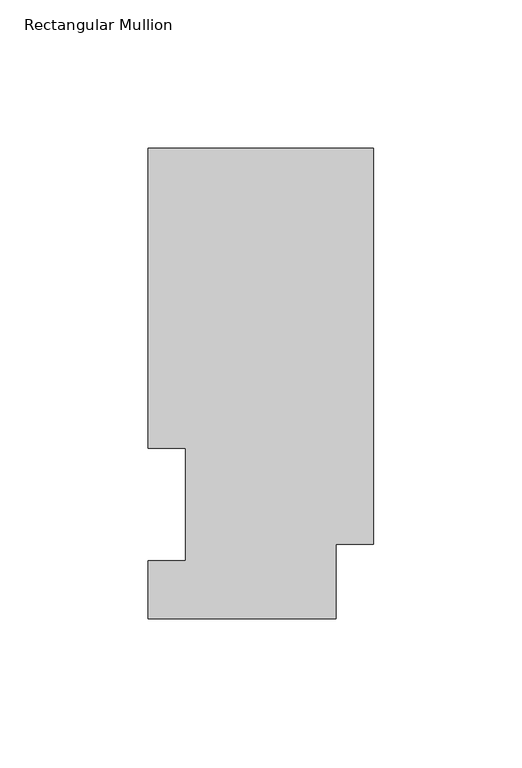
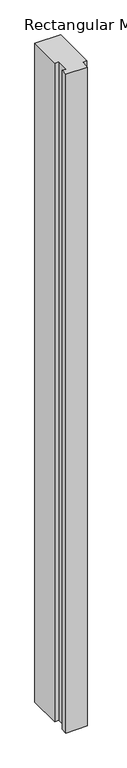
"""IFC4 building model written with IfcOpenShell, lengths in millimetres: member geometry, Rectangular Mullion."""

import ifcopenshell
import ifcopenshell.guid

model = None  # the IFC model being written
_history = None  # IfcOwnerHistory: only IFC2X3 demands one
_inside = {}  # id of a spatial element -> (the spatial element, [elements in it])
_under = {}  # id of a project, library or spatial element -> (it, [spatial elements below it])
_declared = {}  # id of a project -> (the project, [libraries it declares])
_typed = {}  # id of a type object -> (the type object, [elements of that type])
_made_of = {}  # id of a material, layer set ... -> (it, [elements and type objects made of it])


def new_model(schema):
    """Start an empty IFC model of exactly this schema.

    Asked for "IFC4X3", IfcOpenShell would pick the latest addendum, in which some entities
    have other attributes; the version numbers below select the first issue.
    IFC2X3 requires an IfcOwnerHistory on every rooted entity: one is made here for all.
    """
    global model, _history
    if schema == "IFC4X3":
        model = ifcopenshell.file(schema_version=(4, 3, 0, 0))
    else:
        model = ifcopenshell.file(schema=schema)
    _inside.clear()
    _under.clear()
    _declared.clear()
    _typed.clear()
    _made_of.clear()
    _history = None
    if model.schema == "IFC2X3":
        org = make("IfcOrganization", Name="unknown")
        user = make(
            "IfcPersonAndOrganization",
            ThePerson=make("IfcPerson", FamilyName="unknown"),
            TheOrganization=org,
        )
        app = make(
            "IfcApplication",
            ApplicationDeveloper=org,
            Version="unknown",
            ApplicationFullName="unknown",
            ApplicationIdentifier="unknown",
        )
        _history = make(
            "IfcOwnerHistory",
            OwningUser=user,
            OwningApplication=app,
            ChangeAction="ADDED",
            CreationDate=0,
        )
    return model


def make(cls, **values):
    """One entity of the class cls with the attributes given. An attribute that is None is left unset."""
    return model.create_entity(
        cls, **{name: value for name, value in values.items() if value is not None}
    )


def rooted(cls, **values):
    """An entity with a GlobalId (a new one), such as an element, a storey or a relation."""
    return make(cls, GlobalId=ifcopenshell.guid.new(), OwnerHistory=_history, **values)


def si_unit(unit_type, name, prefix=None):
    """IfcSIUnit, for example si_unit("LENGTHUNIT", "METRE", prefix="MILLI")."""
    return make("IfcSIUnit", UnitType=unit_type, Prefix=prefix, Name=name)


def assignment(units):
    """IfcUnitAssignment: the units of a project."""
    return None if units is None else make("IfcUnitAssignment", Units=units)


def point(xyz):
    """IfcCartesianPoint."""
    return None if xyz is None else make("IfcCartesianPoint", Coordinates=xyz)


def direction(xyz):
    """IfcDirection."""
    return None if xyz is None else make("IfcDirection", DirectionRatios=xyz)


def frame(location, z_axis=None, x_axis=None):
    """IfcAxis2Placement3D, a coordinate frame: its origin and axes. An axis left out is left unset."""
    return make(
        "IfcAxis2Placement3D",
        Location=point(location),
        Axis=direction(z_axis),
        RefDirection=direction(x_axis),
    )


def origin():
    """The frame at (0, 0, 0) with its axes left unset."""
    return frame((0.0, 0.0, 0.0))


def place(relative_to, where):
    """IfcLocalPlacement: puts the frame where relative to a parent placement (None: the world)."""
    return make(
        "IfcLocalPlacement", PlacementRelTo=relative_to, RelativePlacement=where
    )


def context(
    kind, dimensions, precision=None, world=None, true_north=None, identifier=None
):
    """IfcGeometricRepresentationContext, for example the 3D "Model" context."""
    return make(
        "IfcGeometricRepresentationContext",
        ContextIdentifier=identifier,
        ContextType=kind,
        CoordinateSpaceDimension=dimensions,
        Precision=precision,
        WorldCoordinateSystem=world,
        TrueNorth=true_north,
    )


def project(units=None, contexts=None):
    """IfcProject with its units and contexts."""
    return rooted(
        "IfcProject",
        Name="project",
        RepresentationContexts=contexts,
        UnitsInContext=assignment(units),
    )


def spatial(cls, under=None, at=None, **own):
    """A site, building, storey or space (cls), placed at a placement, below another one or the project."""
    s = rooted(cls, ObjectPlacement=at, **own)
    if under is not None:
        _under.setdefault(under.id(), (under, []))[1].append(s)
    return s


def polyline(points):
    """IfcPolyline through the points."""
    return make("IfcPolyline", Points=[point(p) for p in points])


def outline(outer, holes=None, kind="AREA"):
    """IfcArbitraryClosedProfileDef: a profile drawn as a closed curve; with holes, ...WithVoids."""
    if holes is None:
        return make("IfcArbitraryClosedProfileDef", ProfileType=kind, OuterCurve=outer)
    return make(
        "IfcArbitraryProfileDefWithVoids",
        ProfileType=kind,
        OuterCurve=outer,
        InnerCurves=holes,
    )


def extrude(swept, where, along, depth):
    """IfcExtrudedAreaSolid: the profile swept, set in the frame where, extruded along a direction by depth."""
    return make(
        "IfcExtrudedAreaSolid",
        SweptArea=swept,
        Position=where,
        ExtrudedDirection=direction(along),
        Depth=depth,
    )


def shape(context_of_items, identifier, shape_type, items):
    """IfcShapeRepresentation: the items that make up one representation, for example the "Body"."""
    return make(
        "IfcShapeRepresentation",
        ContextOfItems=context_of_items,
        RepresentationIdentifier=identifier,
        RepresentationType=shape_type,
        Items=items,
    )


def source(mapping_origin, context_of_items, identifier, shape_type, items):
    """IfcRepresentationMap: a shape defined once, which mapped items show again and again."""
    return make(
        "IfcRepresentationMap",
        MappingOrigin=mapping_origin,
        MappedRepresentation=shape(context_of_items, identifier, shape_type, items),
    )


def transform(
    local_origin,
    x_axis=None,
    y_axis=None,
    z_axis=None,
    scale=None,
    scale2=None,
    scale3=None,
    uniform=True,
):
    """IfcCartesianTransformationOperator3D, or its non-uniform kind. x_axis, y_axis, z_axis: its Axis1, 2, 3."""
    if uniform:
        return make(
            "IfcCartesianTransformationOperator3D",
            Axis1=direction(x_axis),
            Axis2=direction(y_axis),
            LocalOrigin=point(local_origin),
            Scale=scale,
            Axis3=direction(z_axis),
        )
    return make(
        "IfcCartesianTransformationOperator3DnonUniform",
        Axis1=direction(x_axis),
        Axis2=direction(y_axis),
        LocalOrigin=point(local_origin),
        Scale=scale,
        Axis3=direction(z_axis),
        Scale2=scale2,
        Scale3=scale3,
    )


def mapped(mapping_source, mapping_target):
    """IfcMappedItem: shows the shape of a source again, moved by a transform."""
    return make(
        "IfcMappedItem", MappingSource=mapping_source, MappingTarget=mapping_target
    )


def made_of(thing, what):
    """Note that an element or type object is made of a material, layer set ...; save() writes the relation."""
    if what is not None:
        _made_of.setdefault(what.id(), (what, []))[1].append(thing)
    return thing


def element(
    cls,
    number,
    at=None,
    inside=None,
    cuts=None,
    type_object=None,
    material=None,
    context=None,
    identifier="Body",
    shape_type=None,
    held_by="IfcProductDefinitionShape",
    body=None,
    shapes=None,
    **own,
):
    """One element of the class cls, such as IfcWall. Its Tag is "e" and its number.

    at: its placement. inside: the storey or other place that contains it. cuts: it is an
    opening in that element (IfcRelVoidsElement). A single representation is given by context,
    identifier, shape_type and body (its items); several are given by shapes. held_by: the class
    of the entity that holds the representations. save() writes the other relations.
    """
    e = rooted(cls, Tag="e%d" % number, ObjectPlacement=at, **own)
    if body is not None:
        shapes = [shape(context, identifier, shape_type, body)]
    if shapes is not None:
        e.Representation = make(held_by, Representations=shapes)
    if inside is not None:
        _inside.setdefault(inside.id(), (inside, []))[1].append(e)
    if cuts is not None:
        rooted(
            "IfcRelVoidsElement", RelatingBuildingElement=cuts, RelatedOpeningElement=e
        )
    if type_object is not None:
        _typed.setdefault(type_object.id(), (type_object, []))[1].append(e)
    return made_of(e, material)


def aggregate(whole, parts):
    """IfcRelAggregates: a whole, such as a stair, and the parts it consists of."""
    return rooted("IfcRelAggregates", RelatingObject=whole, RelatedObjects=parts)


def save(model, path):
    """Write the relations noted so far, then the file.

    IfcRelAggregates (storeys below a building ...), IfcRelContainedInSpatialStructure (elements
    in a storey), IfcRelDefinesByType, IfcRelAssociatesMaterial and IfcRelDeclares: one each for
    every whole, place, type object, material and project.
    """
    for whole, parts in _under.values():
        aggregate(whole, parts)
    for where, things in _inside.values():
        rooted(
            "IfcRelContainedInSpatialStructure",
            RelatedElements=things,
            RelatingStructure=where,
        )
    for kind, things in _typed.values():
        rooted("IfcRelDefinesByType", RelatedObjects=things, RelatingType=kind)
    for what, things in _made_of.values():
        rooted("IfcRelAssociatesMaterial", RelatedObjects=things, RelatingMaterial=what)
    for by, libraries in _declared.values():
        rooted("IfcRelDeclares", RelatingContext=by, RelatedDefinitions=libraries)
    model.write(path)


def rectangular_mullion_e7777299(model_context):
    return source(origin(), model_context, "Body", "SweptSolid", [
        extrude(outline(polyline([(0.0, 158.8396938), (0.0, 25.0832937), (-12.7, 25.0832937), (-12.7, 0.0134938), (-76.2, 0.0134938), (-76.2, 19.5460938), (-63.5, 19.5460938), (-63.5, 57.6460937), (-76.2, 57.6460937), (-76.2, 158.8396938), (0.0, 158.8396938)])), frame((0.0, 0.0, -2057.4), z_axis=(0.0, 0.0, 1.0), x_axis=(1.0, 0.0, 0.0)), (0.0, 0.0, 1.0), 2057.4),
    ])


if __name__ == "__main__":
    model = new_model("IFC4")
    model_context = context("Model", 3, world=origin())
    ifc_project = project(units=[si_unit("LENGTHUNIT", "METRE", prefix="MILLI")], contexts=[model_context])
    site = spatial("IfcSite", under=ifc_project)
    building = spatial("IfcBuilding", under=site)
    placement = place(None, origin())
    rectangular_mullion_shape = rectangular_mullion_e7777299(model_context)
    element("IfcMember", 1, ObjectType="Rectangular Mullion", at=placement, inside=building, context=model_context, shape_type="MappedRepresentation", body=[
        mapped(rectangular_mullion_shape, transform((0.0, 0.0, 0.0), x_axis=(1.0, 0.0, 0.0), y_axis=(0.0, 1.0, 0.0), z_axis=(0.0, 0.0, 1.0))),
    ])
    save(model, "model.ifc")
